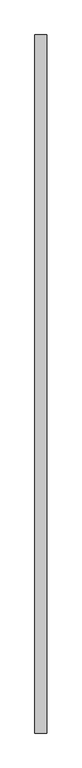
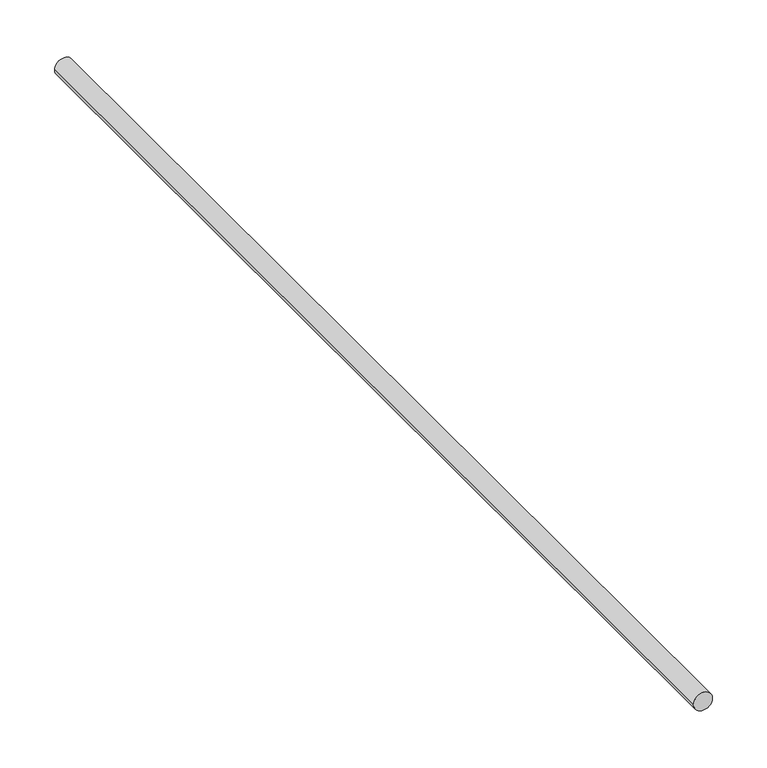
"""IFC4 building model written with IfcOpenShell, lengths in millimetres: proxy geometry."""

import ifcopenshell
import ifcopenshell.guid

model = None  # the IFC model being written
_history = None  # IfcOwnerHistory: only IFC2X3 demands one
_inside = {}  # id of a spatial element -> (the spatial element, [elements in it])
_under = {}  # id of a project, library or spatial element -> (it, [spatial elements below it])
_declared = {}  # id of a project -> (the project, [libraries it declares])
_typed = {}  # id of a type object -> (the type object, [elements of that type])
_made_of = {}  # id of a material, layer set ... -> (it, [elements and type objects made of it])


def new_model(schema):
    """Start an empty IFC model of exactly this schema.

    Asked for "IFC4X3", IfcOpenShell would pick the latest addendum, in which some entities
    have other attributes; the version numbers below select the first issue.
    IFC2X3 requires an IfcOwnerHistory on every rooted entity: one is made here for all.
    """
    global model, _history
    if schema == "IFC4X3":
        model = ifcopenshell.file(schema_version=(4, 3, 0, 0))
    else:
        model = ifcopenshell.file(schema=schema)
    _inside.clear()
    _under.clear()
    _declared.clear()
    _typed.clear()
    _made_of.clear()
    _history = None
    if model.schema == "IFC2X3":
        org = make("IfcOrganization", Name="unknown")
        user = make(
            "IfcPersonAndOrganization",
            ThePerson=make("IfcPerson", FamilyName="unknown"),
            TheOrganization=org,
        )
        app = make(
            "IfcApplication",
            ApplicationDeveloper=org,
            Version="unknown",
            ApplicationFullName="unknown",
            ApplicationIdentifier="unknown",
        )
        _history = make(
            "IfcOwnerHistory",
            OwningUser=user,
            OwningApplication=app,
            ChangeAction="ADDED",
            CreationDate=0,
        )
    return model


def make(cls, **values):
    """One entity of the class cls with the attributes given. An attribute that is None is left unset."""
    return model.create_entity(
        cls, **{name: value for name, value in values.items() if value is not None}
    )


def rooted(cls, **values):
    """An entity with a GlobalId (a new one), such as an element, a storey or a relation."""
    return make(cls, GlobalId=ifcopenshell.guid.new(), OwnerHistory=_history, **values)


def si_unit(unit_type, name, prefix=None):
    """IfcSIUnit, for example si_unit("LENGTHUNIT", "METRE", prefix="MILLI")."""
    return make("IfcSIUnit", UnitType=unit_type, Prefix=prefix, Name=name)


def assignment(units):
    """IfcUnitAssignment: the units of a project."""
    return None if units is None else make("IfcUnitAssignment", Units=units)


def point(xyz):
    """IfcCartesianPoint."""
    return None if xyz is None else make("IfcCartesianPoint", Coordinates=xyz)


def direction(xyz):
    """IfcDirection."""
    return None if xyz is None else make("IfcDirection", DirectionRatios=xyz)


def frame(location, z_axis=None, x_axis=None):
    """IfcAxis2Placement3D, a coordinate frame: its origin and axes. An axis left out is left unset."""
    return make(
        "IfcAxis2Placement3D",
        Location=point(location),
        Axis=direction(z_axis),
        RefDirection=direction(x_axis),
    )


def frame_2d(location, x_axis=None):
    """IfcAxis2Placement2D, a coordinate frame in the plane: its origin and x axis."""
    return make(
        "IfcAxis2Placement2D", Location=point(location), RefDirection=direction(x_axis)
    )


def origin():
    """The frame at (0, 0, 0) with its axes left unset."""
    return frame((0.0, 0.0, 0.0))


def place(relative_to, where):
    """IfcLocalPlacement: puts the frame where relative to a parent placement (None: the world)."""
    return make(
        "IfcLocalPlacement", PlacementRelTo=relative_to, RelativePlacement=where
    )


def context(
    kind, dimensions, precision=None, world=None, true_north=None, identifier=None
):
    """IfcGeometricRepresentationContext, for example the 3D "Model" context."""
    return make(
        "IfcGeometricRepresentationContext",
        ContextIdentifier=identifier,
        ContextType=kind,
        CoordinateSpaceDimension=dimensions,
        Precision=precision,
        WorldCoordinateSystem=world,
        TrueNorth=true_north,
    )


def project(units=None, contexts=None):
    """IfcProject with its units and contexts."""
    return rooted(
        "IfcProject",
        Name="project",
        RepresentationContexts=contexts,
        UnitsInContext=assignment(units),
    )


def spatial(cls, under=None, at=None, **own):
    """A site, building, storey or space (cls), placed at a placement, below another one or the project."""
    s = rooted(cls, ObjectPlacement=at, **own)
    if under is not None:
        _under.setdefault(under.id(), (under, []))[1].append(s)
    return s


def circle_curve(where, radius):
    """IfcCircle in the frame where."""
    return make("IfcCircle", Position=where, Radius=radius)


def trimmed(basis, trim1, trim2, sense, master):
    """IfcTrimmedCurve: the piece of a basis curve between two trims."""
    return make(
        "IfcTrimmedCurve",
        BasisCurve=basis,
        Trim1=trim1,
        Trim2=trim2,
        SenseAgreement=sense,
        MasterRepresentation=master,
    )


def segment(curve, same_sense, transition):
    """IfcCompositeCurveSegment."""
    return make(
        "IfcCompositeCurveSegment",
        Transition=transition,
        SameSense=same_sense,
        ParentCurve=curve,
    )


def composite_curve(segments, self_intersect=None):
    """IfcCompositeCurve: segments joined end to end."""
    return make("IfcCompositeCurve", Segments=segments, SelfIntersect=self_intersect)


def outline(outer, holes=None, kind="AREA"):
    """IfcArbitraryClosedProfileDef: a profile drawn as a closed curve; with holes, ...WithVoids."""
    if holes is None:
        return make("IfcArbitraryClosedProfileDef", ProfileType=kind, OuterCurve=outer)
    return make(
        "IfcArbitraryProfileDefWithVoids",
        ProfileType=kind,
        OuterCurve=outer,
        InnerCurves=holes,
    )


def extrude(swept, where, along, depth):
    """IfcExtrudedAreaSolid: the profile swept, set in the frame where, extruded along a direction by depth."""
    return make(
        "IfcExtrudedAreaSolid",
        SweptArea=swept,
        Position=where,
        ExtrudedDirection=direction(along),
        Depth=depth,
    )


def shape(context_of_items, identifier, shape_type, items):
    """IfcShapeRepresentation: the items that make up one representation, for example the "Body"."""
    return make(
        "IfcShapeRepresentation",
        ContextOfItems=context_of_items,
        RepresentationIdentifier=identifier,
        RepresentationType=shape_type,
        Items=items,
    )


def source(mapping_origin, context_of_items, identifier, shape_type, items):
    """IfcRepresentationMap: a shape defined once, which mapped items show again and again."""
    return make(
        "IfcRepresentationMap",
        MappingOrigin=mapping_origin,
        MappedRepresentation=shape(context_of_items, identifier, shape_type, items),
    )


def transform(
    local_origin,
    x_axis=None,
    y_axis=None,
    z_axis=None,
    scale=None,
    scale2=None,
    scale3=None,
    uniform=True,
):
    """IfcCartesianTransformationOperator3D, or its non-uniform kind. x_axis, y_axis, z_axis: its Axis1, 2, 3."""
    if uniform:
        return make(
            "IfcCartesianTransformationOperator3D",
            Axis1=direction(x_axis),
            Axis2=direction(y_axis),
            LocalOrigin=point(local_origin),
            Scale=scale,
            Axis3=direction(z_axis),
        )
    return make(
        "IfcCartesianTransformationOperator3DnonUniform",
        Axis1=direction(x_axis),
        Axis2=direction(y_axis),
        LocalOrigin=point(local_origin),
        Scale=scale,
        Axis3=direction(z_axis),
        Scale2=scale2,
        Scale3=scale3,
    )


def mapped(mapping_source, mapping_target):
    """IfcMappedItem: shows the shape of a source again, moved by a transform."""
    return make(
        "IfcMappedItem", MappingSource=mapping_source, MappingTarget=mapping_target
    )


def made_of(thing, what):
    """Note that an element or type object is made of a material, layer set ...; save() writes the relation."""
    if what is not None:
        _made_of.setdefault(what.id(), (what, []))[1].append(thing)
    return thing


def element(
    cls,
    number,
    at=None,
    inside=None,
    cuts=None,
    type_object=None,
    material=None,
    context=None,
    identifier="Body",
    shape_type=None,
    held_by="IfcProductDefinitionShape",
    body=None,
    shapes=None,
    **own,
):
    """One element of the class cls, such as IfcWall. Its Tag is "e" and its number.

    at: its placement. inside: the storey or other place that contains it. cuts: it is an
    opening in that element (IfcRelVoidsElement). A single representation is given by context,
    identifier, shape_type and body (its items); several are given by shapes. held_by: the class
    of the entity that holds the representations. save() writes the other relations.
    """
    e = rooted(cls, Tag="e%d" % number, ObjectPlacement=at, **own)
    if body is not None:
        shapes = [shape(context, identifier, shape_type, body)]
    if shapes is not None:
        e.Representation = make(held_by, Representations=shapes)
    if inside is not None:
        _inside.setdefault(inside.id(), (inside, []))[1].append(e)
    if cuts is not None:
        rooted(
            "IfcRelVoidsElement", RelatingBuildingElement=cuts, RelatedOpeningElement=e
        )
    if type_object is not None:
        _typed.setdefault(type_object.id(), (type_object, []))[1].append(e)
    return made_of(e, material)


def aggregate(whole, parts):
    """IfcRelAggregates: a whole, such as a stair, and the parts it consists of."""
    return rooted("IfcRelAggregates", RelatingObject=whole, RelatedObjects=parts)


def save(model, path):
    """Write the relations noted so far, then the file.

    IfcRelAggregates (storeys below a building ...), IfcRelContainedInSpatialStructure (elements
    in a storey), IfcRelDefinesByType, IfcRelAssociatesMaterial and IfcRelDeclares: one each for
    every whole, place, type object, material and project.
    """
    for whole, parts in _under.values():
        aggregate(whole, parts)
    for where, things in _inside.values():
        rooted(
            "IfcRelContainedInSpatialStructure",
            RelatedElements=things,
            RelatingStructure=where,
        )
    for kind, things in _typed.values():
        rooted("IfcRelDefinesByType", RelatedObjects=things, RelatingType=kind)
    for what, things in _made_of.values():
        rooted("IfcRelAssociatesMaterial", RelatedObjects=things, RelatingMaterial=what)
    for by, libraries in _declared.values():
        rooted("IfcRelDeclares", RelatingContext=by, RelatedDefinitions=libraries)
    model.write(path)


def generic_models_055a40e5(model_context):
    return source(origin(), model_context, "Body", "SweptSolid", [
        extrude(outline(composite_curve([segment(trimmed(circle_curve(frame_2d((101.7167715, 122.7963471)), 10.0), [point((101.7167715, 112.7963471))], [point((101.7167715, 132.7963471))], False, "CARTESIAN"), True, "CONTINUOUS"), segment(trimmed(circle_curve(frame_2d((101.7167715, 122.7963471)), 10.0), [point((101.7167715, 132.7963471))], [point((101.7167715, 112.7963471))], False, "CARTESIAN"), True, "CONTINUOUS")], self_intersect=False)), frame((0.0, -250.0, 0.0), z_axis=(0.0, 1.0, 0.0), x_axis=(0.0, 0.0, 1.0)), (0.0, 0.0, 1.0), 1170.1203705),
    ])


if __name__ == "__main__":
    model = new_model("IFC4")
    model_context = context("Model", 3, world=origin())
    ifc_project = project(units=[si_unit("LENGTHUNIT", "METRE", prefix="MILLI")], contexts=[model_context])
    site = spatial("IfcSite", under=ifc_project)
    building = spatial("IfcBuilding", under=site)
    placement = place(None, origin())
    generic_models_shape = generic_models_055a40e5(model_context)
    element("IfcBuildingElementProxy", 1, Name="Generic Models", at=placement, inside=building, context=model_context, shape_type="MappedRepresentation", body=[
        mapped(generic_models_shape, transform((0.0, 0.0, 0.0), x_axis=(1.0, 0.0, 0.0), y_axis=(0.0, 1.0, 0.0), z_axis=(0.0, 0.0, 1.0))),
    ])
    save(model, "model.ifc")
